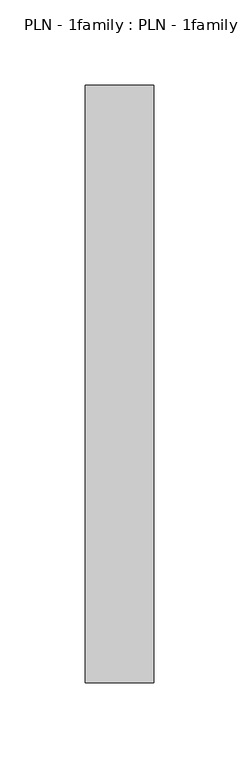
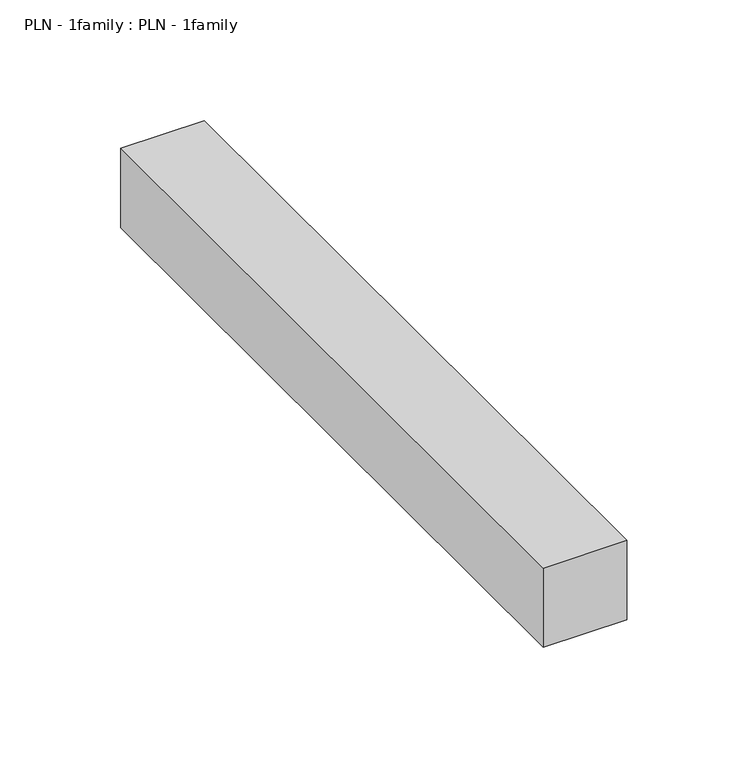
"""IFC4 building model written with IfcOpenShell, lengths in millimetres: proxy geometry, PLN - 1family : PLN - 1family."""

from ifc_helpers import new_model, si_unit, frame, origin, place, context, project, spatial, polyline, outline, extrude, source, transform, mapped, element, save


def pln_1family_pln_1family_00dac9e5(model_context):
    return source(origin(), model_context, "Body", "SweptSolid", [
        extrude(outline(polyline([(0.0, -350.0), (0.0, 0.0), (40.0, 0.0), (40.0, -350.0), (0.0, -350.0)])), frame((0.0, 0.0, 300.0), z_axis=(0.0, 0.0, 1.0), x_axis=(1.0, 0.0, 0.0)), (0.0, 0.0, 1.0), 40.0),
    ])


if __name__ == "__main__":
    model = new_model("IFC4")
    model_context = context("Model", 3, world=origin())
    ifc_project = project(units=[si_unit("LENGTHUNIT", "METRE", prefix="MILLI")], contexts=[model_context])
    site = spatial("IfcSite", under=ifc_project)
    building = spatial("IfcBuilding", under=site)
    placement = place(None, origin())
    pln_1family_pln_1family_shape = pln_1family_pln_1family_00dac9e5(model_context)
    element("IfcBuildingElementProxy", 1, Name="PLN - 1family : PLN - 1family", ObjectType="PLN - 1family : PLN - 1family", at=placement, inside=building, context=model_context, shape_type="MappedRepresentation", body=[
        mapped(pln_1family_pln_1family_shape, transform((0.0, 0.0, 0.0), x_axis=(1.0, 0.0, 0.0), y_axis=(0.0, 1.0, 0.0), z_axis=(0.0, 0.0, 1.0))),
    ])
    save(model, "model.ifc")
